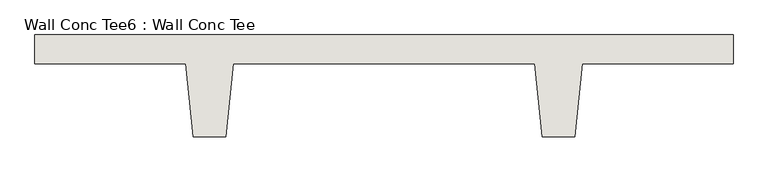
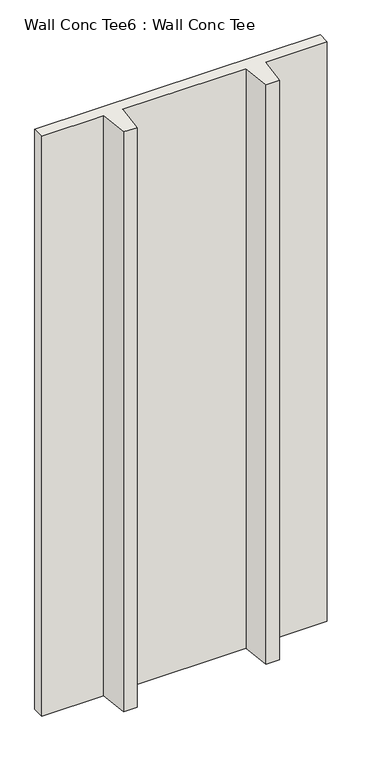
"""IFC4 building model written with IfcOpenShell, lengths in millimetres: wall geometry, Wall Conc Tee6 : Wall Conc Tee."""

from ifc_helpers import new_model, si_unit, frame, origin, place, context, project, spatial, polyline, outline, extrude, source, transform, mapped, element, save


def wall_conc_tee6_wall_conc_tee_ca6c6baf(model_context):
    return source(origin(), model_context, "Body", "SweptSolid", [
        extrude(outline(polyline([(222365.0728488, 159042.8596581), (222365.0728488, 158941.2596581), (221838.0228488, 158941.2596581), (221812.6228488, 158687.2596581), (221698.3228488, 158687.2596581), (221672.9228488, 158941.2596581), (220618.8228488, 158941.2596581), (220593.4228488, 158687.2596581), (220479.1228488, 158687.2596581), (220453.7228488, 158941.2596581), (219926.6728488, 158941.2596581), (219926.6728488, 159042.8596581), (222365.0728488, 159042.8596581)])), frame((0.0, 0.0, 143.7592564), z_axis=(0.0, 0.0, 1.0), x_axis=(1.0, 0.0, 0.0)), (0.0, 0.0, 1.0), 5232.4087123),
    ])


if __name__ == "__main__":
    model = new_model("IFC4")
    model_context = context("Model", 3, world=origin())
    ifc_project = project(units=[si_unit("LENGTHUNIT", "METRE", prefix="MILLI")], contexts=[model_context])
    site = spatial("IfcSite", under=ifc_project)
    building = spatial("IfcBuilding", under=site)
    placement = place(None, origin())
    wall_conc_tee6_wall_conc_tee_shape = wall_conc_tee6_wall_conc_tee_ca6c6baf(model_context)
    element("IfcWall", 1, ObjectType="Wall Conc Tee6 : Wall Conc Tee", at=placement, inside=building, context=model_context, shape_type="MappedRepresentation", body=[
        mapped(wall_conc_tee6_wall_conc_tee_shape, transform((0.0, 0.0, 0.0), x_axis=(1.0, 0.0, 0.0), y_axis=(0.0, 1.0, 0.0), z_axis=(0.0, 0.0, 1.0))),
    ])
    save(model, "model.ifc")
